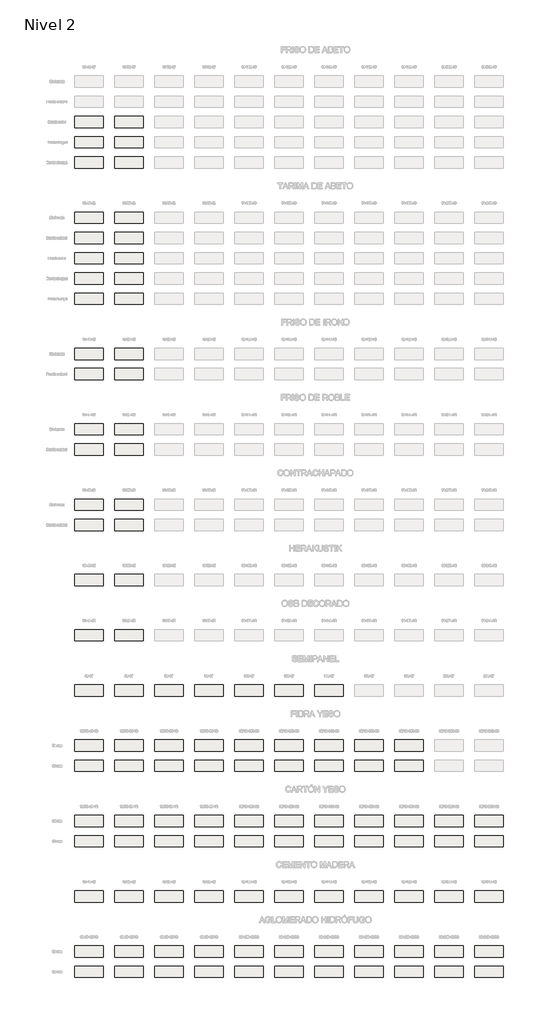
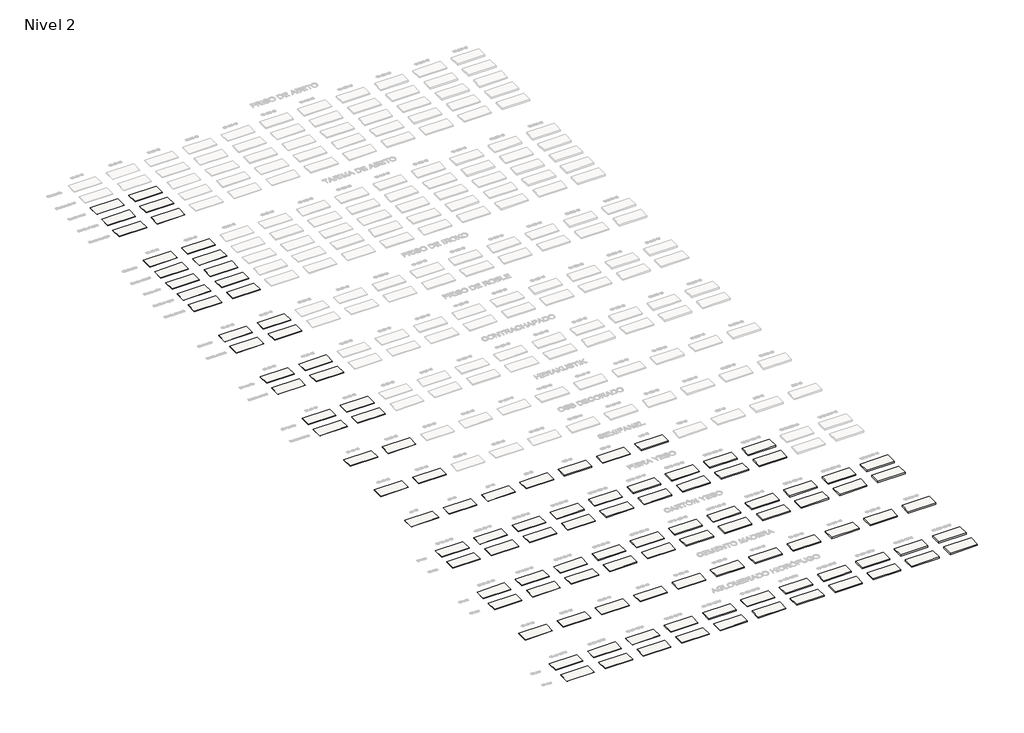
# One storey, part 1 of 51: 112 roofs.
"""IFC4 building model written with IfcOpenShell, lengths in millimetres."""

from ifc_helpers import new_model, si_unit, frame, origin, place, context, project, spatial, polyline, outline, extrude, element, save

model = new_model("IFC4")

# Units and contexts
model_context = context("Model", 3, world=origin())
ifc_project = project(units=[si_unit("LENGTHUNIT", "METRE", prefix="MILLI")], contexts=[model_context])

# Site, building, storey
site = spatial("IfcSite", under=ifc_project)
building = spatial("IfcBuilding", under=site)
storey = spatial("IfcBuildingStorey", under=building, Name="Nivel 2", Elevation=3000.0)

# Roofs
placement = place(None, origin())
element("IfcRoof", 1, at=placement, inside=storey, context=model_context, shape_type="SweptSolid", body=[
    extrude(outline(polyline([(-5297.2931389, -1484.7825352), (-5297.2931389, -3384.7825352), (-10097.2931389, -3384.7825352), (-10097.2931389, -1484.7825352), (-5297.2931389, -1484.7825352)])), frame((0.0, 0.0, 3000.0), z_axis=(0.0, 0.0, 1.0), x_axis=(1.0, 0.0, 0.0)), (0.0, 0.0, 1.0), 66.0),
])
element("IfcRoof", 2, at=placement, inside=storey, context=model_context, shape_type="SweptSolid", body=[
    extrude(outline(polyline([(-5297.2931389, -4884.7825352), (-5297.2931389, -6784.7825352), (-10097.2931389, -6784.7825352), (-10097.2931389, -4884.7825352), (-5297.2931389, -4884.7825352)])), frame((0.0, 0.0, 3000.0), z_axis=(0.0, 0.0, 1.0), x_axis=(1.0, 0.0, 0.0)), (0.0, 0.0, 1.0), 66.0),
])
element("IfcRoof", 3, at=placement, inside=storey, context=model_context, shape_type="SweptSolid", body=[
    extrude(outline(polyline([(-5297.2931389, -8288.7825352), (-5297.2931389, -10188.7825352), (-10097.2931389, -10188.7825352), (-10097.2931389, -8288.7825352), (-5297.2931389, -8288.7825352)])), frame((0.0, 0.0, 3000.0), z_axis=(0.0, 0.0, 1.0), x_axis=(1.0, 0.0, 0.0)), (0.0, 0.0, 1.0), 66.0),
])
element("IfcRoof", 4, at=placement, inside=storey, context=model_context, shape_type="SweptSolid", body=[
    extrude(outline(polyline([(1417.6473959, -1480.7825352), (1417.6473959, -3380.7825352), (-3382.3526041, -3380.7825352), (-3382.3526041, -1480.7825352), (1417.6473959, -1480.7825352)])), frame((0.0, 0.0, 3000.0), z_axis=(0.0, 0.0, 1.0), x_axis=(1.0, 0.0, 0.0)), (0.0, 0.0, 1.0), 76.0),
])
element("IfcRoof", 5, at=placement, inside=storey, context=model_context, shape_type="SweptSolid", body=[
    extrude(outline(polyline([(1417.6473959, -4880.7825352), (1417.6473959, -6780.7825352), (-3382.3526041, -6780.7825352), (-3382.3526041, -4880.7825352), (1417.6473959, -4880.7825352)])), frame((0.0, 0.0, 3000.0), z_axis=(0.0, 0.0, 1.0), x_axis=(1.0, 0.0, 0.0)), (0.0, 0.0, 1.0), 76.0),
])
element("IfcRoof", 6, at=placement, inside=storey, context=model_context, shape_type="SweptSolid", body=[
    extrude(outline(polyline([(1417.6473959, -8284.7825352), (1417.6473959, -10184.7825352), (-3382.3526041, -10184.7825352), (-3382.3526041, -8284.7825352), (1417.6473959, -8284.7825352)])), frame((0.0, 0.0, 3000.0), z_axis=(0.0, 0.0, 1.0), x_axis=(1.0, 0.0, 0.0)), (0.0, 0.0, 1.0), 76.0),
])
element("IfcRoof", 7, at=placement, inside=storey, context=model_context, shape_type="SweptSolid", body=[
    extrude(outline(polyline([(-5297.2931389, -17547.1632381), (-5297.2931389, -19447.1632381), (-10097.2931389, -19447.1632381), (-10097.2931389, -17547.1632381), (-5297.2931389, -17547.1632381)])), frame((0.0, 0.0, 3000.0), z_axis=(0.0, 0.0, 1.0), x_axis=(1.0, 0.0, 0.0)), (0.0, 0.0, 1.0), 77.0),
])
element("IfcRoof", 8, at=placement, inside=storey, context=model_context, shape_type="SweptSolid", body=[
    extrude(outline(polyline([(-5297.2931389, -20947.1632381), (-5297.2931389, -22847.1632381), (-10097.2931389, -22847.1632381), (-10097.2931389, -20947.1632381), (-5297.2931389, -20947.1632381)])), frame((0.0, 0.0, 3000.0), z_axis=(0.0, 0.0, 1.0), x_axis=(1.0, 0.0, 0.0)), (0.0, 0.0, 1.0), 77.0),
])
element("IfcRoof", 9, at=placement, inside=storey, context=model_context, shape_type="SweptSolid", body=[
    extrude(outline(polyline([(-5297.2931389, -24351.1632381), (-5297.2931389, -26251.1632381), (-10097.2931389, -26251.1632381), (-10097.2931389, -24351.1632381), (-5297.2931389, -24351.1632381)])), frame((0.0, 0.0, 3000.0), z_axis=(0.0, 0.0, 1.0), x_axis=(1.0, 0.0, 0.0)), (0.0, 0.0, 1.0), 77.0),
])
element("IfcRoof", 10, at=placement, inside=storey, context=model_context, shape_type="SweptSolid", body=[
    extrude(outline(polyline([(1417.6473959, -17547.1632381), (1417.6473959, -19447.1632381), (-3382.3526041, -19447.1632381), (-3382.3526041, -17547.1632381), (1417.6473959, -17547.1632381)])), frame((0.0, 0.0, 3000.0), z_axis=(0.0, 0.0, 1.0), x_axis=(1.0, 0.0, 0.0)), (0.0, 0.0, 1.0), 87.0),
])
element("IfcRoof", 11, at=placement, inside=storey, context=model_context, shape_type="SweptSolid", body=[
    extrude(outline(polyline([(1417.6473959, -20947.1632381), (1417.6473959, -22847.1632381), (-3382.3526041, -22847.1632381), (-3382.3526041, -20947.1632381), (1417.6473959, -20947.1632381)])), frame((0.0, 0.0, 3000.0), z_axis=(0.0, 0.0, 1.0), x_axis=(1.0, 0.0, 0.0)), (0.0, 0.0, 1.0), 87.0),
])
element("IfcRoof", 12, at=placement, inside=storey, context=model_context, shape_type="SweptSolid", body=[
    extrude(outline(polyline([(1417.6473959, -24351.1632381), (1417.6473959, -26251.1632381), (-3382.3526041, -26251.1632381), (-3382.3526041, -24351.1632381), (1417.6473959, -24351.1632381)])), frame((0.0, 0.0, 3000.0), z_axis=(0.0, 0.0, 1.0), x_axis=(1.0, 0.0, 0.0)), (0.0, 0.0, 1.0), 87.0),
])
element("IfcRoof", 13, at=placement, inside=storey, context=model_context, shape_type="SweptSolid", body=[
    extrude(outline(polyline([(1417.6473959, -27755.1632381), (1417.6473959, -29655.1632381), (-3382.3526041, -29655.1632381), (-3382.3526041, -27755.1632381), (1417.6473959, -27755.1632381)])), frame((0.0, 0.0, 3000.0), z_axis=(0.0, 0.0, 1.0), x_axis=(1.0, 0.0, 0.0)), (0.0, 0.0, 1.0), 87.0),
])
element("IfcRoof", 14, at=placement, inside=storey, context=model_context, shape_type="SweptSolid", body=[
    extrude(outline(polyline([(1417.6473959, -31159.1632381), (1417.6473959, -33059.1632381), (-3382.3526041, -33059.1632381), (-3382.3526041, -31159.1632381), (1417.6473959, -31159.1632381)])), frame((0.0, 0.0, 3000.0), z_axis=(0.0, 0.0, 1.0), x_axis=(1.0, 0.0, 0.0)), (0.0, 0.0, 1.0), 87.0),
])
element("IfcRoof", 15, at=placement, inside=storey, context=model_context, shape_type="SweptSolid", body=[
    extrude(outline(polyline([(-5297.2931389, -27755.1632381), (-5297.2931389, -29655.1632381), (-10097.2931389, -29655.1632381), (-10097.2931389, -27755.1632381), (-5297.2931389, -27755.1632381)])), frame((0.0, 0.0, 3000.0), z_axis=(0.0, 0.0, 1.0), x_axis=(1.0, 0.0, 0.0)), (0.0, 0.0, 1.0), 77.0),
])
element("IfcRoof", 16, at=placement, inside=storey, context=model_context, shape_type="SweptSolid", body=[
    extrude(outline(polyline([(-5297.2931389, -31159.1632381), (-5297.2931389, -33059.1632381), (-10097.2931389, -33059.1632381), (-10097.2931389, -31159.1632381), (-5297.2931389, -31159.1632381)])), frame((0.0, 0.0, 3000.0), z_axis=(0.0, 0.0, 1.0), x_axis=(1.0, 0.0, 0.0)), (0.0, 0.0, 1.0), 77.0),
])
element("IfcRoof", 17, at=placement, inside=storey, context=model_context, shape_type="SweptSolid", body=[
    extrude(outline(polyline([(-5297.2931389, -40413.543941), (-5297.2931389, -42313.543941), (-10097.2931389, -42313.543941), (-10097.2931389, -40413.543941), (-5297.2931389, -40413.543941)])), frame((0.0, 0.0, 3000.0), z_axis=(0.0, 0.0, 1.0), x_axis=(1.0, 0.0, 0.0)), (0.0, 0.0, 1.0), 66.0),
])
element("IfcRoof", 18, at=placement, inside=storey, context=model_context, shape_type="SweptSolid", body=[
    extrude(outline(polyline([(1417.6473959, -40413.543941), (1417.6473959, -42313.543941), (-3382.3526041, -42313.543941), (-3382.3526041, -40413.543941), (1417.6473959, -40413.543941)])), frame((0.0, 0.0, 3000.0), z_axis=(0.0, 0.0, 1.0), x_axis=(1.0, 0.0, 0.0)), (0.0, 0.0, 1.0), 76.0),
])
element("IfcRoof", 19, at=placement, inside=storey, context=model_context, shape_type="SweptSolid", body=[
    extrude(outline(polyline([(-5297.2931389, -43813.543941), (-5297.2931389, -45713.543941), (-10097.2931389, -45713.543941), (-10097.2931389, -43813.543941), (-5297.2931389, -43813.543941)])), frame((0.0, 0.0, 3000.0), z_axis=(0.0, 0.0, 1.0), x_axis=(1.0, 0.0, 0.0)), (0.0, 0.0, 1.0), 66.0),
])
element("IfcRoof", 20, at=placement, inside=storey, context=model_context, shape_type="SweptSolid", body=[
    extrude(outline(polyline([(1417.6473959, -43813.543941), (1417.6473959, -45713.543941), (-3382.3526041, -45713.543941), (-3382.3526041, -43813.543941), (1417.6473959, -43813.543941)])), frame((0.0, 0.0, 3000.0), z_axis=(0.0, 0.0, 1.0), x_axis=(1.0, 0.0, 0.0)), (0.0, 0.0, 1.0), 76.0),
])
element("IfcRoof", 21, at=placement, inside=storey, context=model_context, shape_type="SweptSolid", body=[
    extrude(outline(polyline([(-5297.2931389, -53071.9246439), (-5297.2931389, -54971.9246439), (-10097.2931389, -54971.9246439), (-10097.2931389, -53071.9246439), (-5297.2931389, -53071.9246439)])), frame((0.0, 0.0, 3000.0), z_axis=(0.0, 0.0, 1.0), x_axis=(1.0, 0.0, 0.0)), (0.0, 0.0, 1.0), 66.0),
])
element("IfcRoof", 22, at=placement, inside=storey, context=model_context, shape_type="SweptSolid", body=[
    extrude(outline(polyline([(1417.6473959, -53071.9246439), (1417.6473959, -54971.9246439), (-3382.3526041, -54971.9246439), (-3382.3526041, -53071.9246439), (1417.6473959, -53071.9246439)])), frame((0.0, 0.0, 3000.0), z_axis=(0.0, 0.0, 1.0), x_axis=(1.0, 0.0, 0.0)), (0.0, 0.0, 1.0), 76.0),
])
element("IfcRoof", 23, at=placement, inside=storey, context=model_context, shape_type="SweptSolid", body=[
    extrude(outline(polyline([(-5297.2931389, -56471.9246439), (-5297.2931389, -58371.9246439), (-10097.2931389, -58371.9246439), (-10097.2931389, -56471.9246439), (-5297.2931389, -56471.9246439)])), frame((0.0, 0.0, 3000.0), z_axis=(0.0, 0.0, 1.0), x_axis=(1.0, 0.0, 0.0)), (0.0, 0.0, 1.0), 66.0),
])
element("IfcRoof", 24, at=placement, inside=storey, context=model_context, shape_type="SweptSolid", body=[
    extrude(outline(polyline([(1417.6473959, -56471.9246439), (1417.6473959, -58371.9246439), (-3382.3526041, -58371.9246439), (-3382.3526041, -56471.9246439), (1417.6473959, -56471.9246439)])), frame((0.0, 0.0, 3000.0), z_axis=(0.0, 0.0, 1.0), x_axis=(1.0, 0.0, 0.0)), (0.0, 0.0, 1.0), 76.0),
])
element("IfcRoof", 25, at=placement, inside=storey, context=model_context, shape_type="SweptSolid", body=[
    extrude(outline(polyline([(-5297.2931389, -65730.3053468), (-5297.2931389, -67630.3053468), (-10097.2931389, -67630.3053468), (-10097.2931389, -65730.3053468), (-5297.2931389, -65730.3053468)])), frame((0.0, 0.0, 3000.0), z_axis=(0.0, 0.0, 1.0), x_axis=(1.0, 0.0, 0.0)), (0.0, 0.0, 1.0), 66.0),
])
element("IfcRoof", 26, at=placement, inside=storey, context=model_context, shape_type="SweptSolid", body=[
    extrude(outline(polyline([(1417.6473959, -65730.3053468), (1417.6473959, -67630.3053468), (-3382.3526041, -67630.3053468), (-3382.3526041, -65730.3053468), (1417.6473959, -65730.3053468)])), frame((0.0, 0.0, 3000.0), z_axis=(0.0, 0.0, 1.0), x_axis=(1.0, 0.0, 0.0)), (0.0, 0.0, 1.0), 76.0),
])
element("IfcRoof", 27, at=placement, inside=storey, context=model_context, shape_type="SweptSolid", body=[
    extrude(outline(polyline([(-5297.2931389, -69130.3053468), (-5297.2931389, -71030.3053468), (-10097.2931389, -71030.3053468), (-10097.2931389, -69130.3053468), (-5297.2931389, -69130.3053468)])), frame((0.0, 0.0, 3000.0), z_axis=(0.0, 0.0, 1.0), x_axis=(1.0, 0.0, 0.0)), (0.0, 0.0, 1.0), 66.0),
])
element("IfcRoof", 28, at=placement, inside=storey, context=model_context, shape_type="SweptSolid", body=[
    extrude(outline(polyline([(1417.6473959, -69130.3053468), (1417.6473959, -71030.3053468), (-3382.3526041, -71030.3053468), (-3382.3526041, -69130.3053468), (1417.6473959, -69130.3053468)])), frame((0.0, 0.0, 3000.0), z_axis=(0.0, 0.0, 1.0), x_axis=(1.0, 0.0, 0.0)), (0.0, 0.0, 1.0), 76.0),
])
element("IfcRoof", 29, at=placement, inside=storey, context=model_context, shape_type="SweptSolid", body=[
    extrude(outline(polyline([(-5297.2931389, -78388.6860497), (-5297.2931389, -80288.6860497), (-10097.2931389, -80288.6860497), (-10097.2931389, -78388.6860497), (-5297.2931389, -78388.6860497)])), frame((0.0, 0.0, 3000.0), z_axis=(0.0, 0.0, 1.0), x_axis=(1.0, 0.0, 0.0)), (0.0, 0.0, 1.0), 71.0),
])
element("IfcRoof", 30, at=placement, inside=storey, context=model_context, shape_type="SweptSolid", body=[
    extrude(outline(polyline([(1417.6473959, -78388.6860497), (1417.6473959, -80288.6860497), (-3382.3526041, -80288.6860497), (-3382.3526041, -78388.6860497), (1417.6473959, -78388.6860497)])), frame((0.0, 0.0, 3000.0), z_axis=(0.0, 0.0, 1.0), x_axis=(1.0, 0.0, 0.0)), (0.0, 0.0, 1.0), 81.0),
])
element("IfcRoof", 31, at=placement, inside=storey, context=model_context, shape_type="SweptSolid", body=[
    extrude(outline(polyline([(-5297.2931389, -87647.0667526), (-5297.2931389, -89547.0667526), (-10097.2931389, -89547.0667526), (-10097.2931389, -87647.0667526), (-5297.2931389, -87647.0667526)])), frame((0.0, 0.0, 3000.0), z_axis=(0.0, 0.0, 1.0), x_axis=(1.0, 0.0, 0.0)), (0.0, 0.0, 1.0), 66.0),
])
element("IfcRoof", 32, at=placement, inside=storey, context=model_context, shape_type="SweptSolid", body=[
    extrude(outline(polyline([(1417.6473959, -87647.0667526), (1417.6473959, -89547.0667526), (-3382.3526041, -89547.0667526), (-3382.3526041, -87647.0667526), (1417.6473959, -87647.0667526)])), frame((0.0, 0.0, 3000.0), z_axis=(0.0, 0.0, 1.0), x_axis=(1.0, 0.0, 0.0)), (0.0, 0.0, 1.0), 76.0),
])
element("IfcRoof", 33, at=placement, inside=storey, context=model_context, shape_type="SweptSolid", body=[
    extrude(outline(polyline([(-5297.2931389, -96905.4474555), (-5297.2931389, -98805.4474555), (-10097.2931389, -98805.4474555), (-10097.2931389, -96905.4474555), (-5297.2931389, -96905.4474555)])), frame((0.0, 0.0, 3000.0), z_axis=(0.0, 0.0, 1.0), x_axis=(1.0, 0.0, 0.0)), (0.0, 0.0, 1.0), 56.0),
])
element("IfcRoof", 34, at=placement, inside=storey, context=model_context, shape_type="SweptSolid", body=[
    extrude(outline(polyline([(1417.6473959, -96905.4474555), (1417.6473959, -98805.4474555), (-3382.3526041, -98805.4474555), (-3382.3526041, -96905.4474555), (1417.6473959, -96905.4474555)])), frame((0.0, 0.0, 3000.0), z_axis=(0.0, 0.0, 1.0), x_axis=(1.0, 0.0, 0.0)), (0.0, 0.0, 1.0), 66.0),
])
element("IfcRoof", 35, at=placement, inside=storey, context=model_context, shape_type="SweptSolid", body=[
    extrude(outline(polyline([(8132.5879307, -96905.4474555), (8132.5879307, -98805.4474555), (3332.5879307, -98805.4474555), (3332.5879307, -96905.4474555), (8132.5879307, -96905.4474555)])), frame((0.0, 0.0, 3000.0), z_axis=(0.0, 0.0, 1.0), x_axis=(1.0, 0.0, 0.0)), (0.0, 0.0, 1.0), 76.0),
])
element("IfcRoof", 36, at=placement, inside=storey, context=model_context, shape_type="SweptSolid", body=[
    extrude(outline(polyline([(14847.5284656, -96905.4474555), (14847.5284656, -98805.4474555), (10047.5284656, -98805.4474555), (10047.5284656, -96905.4474555), (14847.5284656, -96905.4474555)])), frame((0.0, 0.0, 3000.0), z_axis=(0.0, 0.0, 1.0), x_axis=(1.0, 0.0, 0.0)), (0.0, 0.0, 1.0), 96.0),
])
element("IfcRoof", 37, at=placement, inside=storey, context=model_context, shape_type="SweptSolid", body=[
    extrude(outline(polyline([(21562.4690004, -96905.4474555), (21562.4690004, -98805.4474555), (16762.4690004, -98805.4474555), (16762.4690004, -96905.4474555), (21562.4690004, -96905.4474555)])), frame((0.0, 0.0, 3000.0), z_axis=(0.0, 0.0, 1.0), x_axis=(1.0, 0.0, 0.0)), (0.0, 0.0, 1.0), 116.0),
])
element("IfcRoof", 38, at=placement, inside=storey, context=model_context, shape_type="SweptSolid", body=[
    extrude(outline(polyline([(28277.4095352, -96905.4474555), (28277.4095352, -98805.4474555), (23477.4095352, -98805.4474555), (23477.4095352, -96905.4474555), (28277.4095352, -96905.4474555)])), frame((0.0, 0.0, 3000.0), z_axis=(0.0, 0.0, 1.0), x_axis=(1.0, 0.0, 0.0)), (0.0, 0.0, 1.0), 136.0),
])
element("IfcRoof", 39, at=placement, inside=storey, context=model_context, shape_type="SweptSolid", body=[
    extrude(outline(polyline([(34992.35007, -96905.4474555), (34992.35007, -98805.4474555), (30192.35007, -98805.4474555), (30192.35007, -96905.4474555), (34992.35007, -96905.4474555)])), frame((0.0, 0.0, 3000.0), z_axis=(0.0, 0.0, 1.0), x_axis=(1.0, 0.0, 0.0)), (0.0, 0.0, 1.0), 156.0),
])
element("IfcRoof", 40, at=placement, inside=storey, context=model_context, shape_type="SweptSolid", body=[
    extrude(outline(polyline([(-5297.2931389, -106163.8281584), (-5297.2931389, -108063.8281584), (-10097.2931389, -108063.8281584), (-10097.2931389, -106163.8281584), (-5297.2931389, -106163.8281584)])), frame((0.0, 0.0, 3000.0), z_axis=(0.0, 0.0, 1.0), x_axis=(1.0, 0.0, 0.0)), (0.0, 0.0, 1.0), 66.0),
])
element("IfcRoof", 41, at=placement, inside=storey, context=model_context, shape_type="SweptSolid", body=[
    extrude(outline(polyline([(1417.6473959, -106163.8281584), (1417.6473959, -108063.8281584), (-3382.3526041, -108063.8281584), (-3382.3526041, -106163.8281584), (1417.6473959, -106163.8281584)])), frame((0.0, 0.0, 3000.0), z_axis=(0.0, 0.0, 1.0), x_axis=(1.0, 0.0, 0.0)), (0.0, 0.0, 1.0), 76.0),
])
element("IfcRoof", 42, at=placement, inside=storey, context=model_context, shape_type="SweptSolid", body=[
    extrude(outline(polyline([(8132.5879307, -106163.8281584), (8132.5879307, -108063.8281584), (3332.5879307, -108063.8281584), (3332.5879307, -106163.8281584), (8132.5879307, -106163.8281584)])), frame((0.0, 0.0, 3000.0), z_axis=(0.0, 0.0, 1.0), x_axis=(1.0, 0.0, 0.0)), (0.0, 0.0, 1.0), 86.0),
])
element("IfcRoof", 43, at=placement, inside=storey, context=model_context, shape_type="SweptSolid", body=[
    extrude(outline(polyline([(14847.5284656, -106163.8281584), (14847.5284656, -108063.8281584), (10047.5284656, -108063.8281584), (10047.5284656, -106163.8281584), (14847.5284656, -106163.8281584)])), frame((0.0, 0.0, 3000.0), z_axis=(0.0, 0.0, 1.0), x_axis=(1.0, 0.0, 0.0)), (0.0, 0.0, 1.0), 106.0),
])
element("IfcRoof", 44, at=placement, inside=storey, context=model_context, shape_type="SweptSolid", body=[
    extrude(outline(polyline([(21562.4690004, -106163.8281584), (21562.4690004, -108063.8281584), (16762.4690004, -108063.8281584), (16762.4690004, -106163.8281584), (21562.4690004, -106163.8281584)])), frame((0.0, 0.0, 3000.0), z_axis=(0.0, 0.0, 1.0), x_axis=(1.0, 0.0, 0.0)), (0.0, 0.0, 1.0), 126.0),
])
element("IfcRoof", 45, at=placement, inside=storey, context=model_context, shape_type="SweptSolid", body=[
    extrude(outline(polyline([(28277.4095352, -106163.8281584), (28277.4095352, -108063.8281584), (23477.4095352, -108063.8281584), (23477.4095352, -106163.8281584), (28277.4095352, -106163.8281584)])), frame((0.0, 0.0, 3000.0), z_axis=(0.0, 0.0, 1.0), x_axis=(1.0, 0.0, 0.0)), (0.0, 0.0, 1.0), 146.0),
])
element("IfcRoof", 46, at=placement, inside=storey, context=model_context, shape_type="SweptSolid", body=[
    extrude(outline(polyline([(34992.35007, -106163.8281584), (34992.35007, -108063.8281584), (30192.35007, -108063.8281584), (30192.35007, -106163.8281584), (34992.35007, -106163.8281584)])), frame((0.0, 0.0, 3000.0), z_axis=(0.0, 0.0, 1.0), x_axis=(1.0, 0.0, 0.0)), (0.0, 0.0, 1.0), 166.0),
])
element("IfcRoof", 47, at=placement, inside=storey, context=model_context, shape_type="SweptSolid", body=[
    extrude(outline(polyline([(41707.2906049, -106163.8281584), (41707.2906049, -108063.8281584), (36907.2906049, -108063.8281584), (36907.2906049, -106163.8281584), (41707.2906049, -106163.8281584)])), frame((0.0, 0.0, 3000.0), z_axis=(0.0, 0.0, 1.0), x_axis=(1.0, 0.0, 0.0)), (0.0, 0.0, 1.0), 186.0),
])
element("IfcRoof", 48, at=placement, inside=storey, context=model_context, shape_type="SweptSolid", body=[
    extrude(outline(polyline([(48422.2311397, -106163.8281584), (48422.2311397, -108063.8281584), (43622.2311397, -108063.8281584), (43622.2311397, -106163.8281584), (48422.2311397, -106163.8281584)])), frame((0.0, 0.0, 3000.0), z_axis=(0.0, 0.0, 1.0), x_axis=(1.0, 0.0, 0.0)), (0.0, 0.0, 1.0), 206.0),
])
element("IfcRoof", 49, at=placement, inside=storey, context=model_context, shape_type="SweptSolid", body=[
    extrude(outline(polyline([(-5297.2931389, -109563.8281584), (-5297.2931389, -111463.8281584), (-10097.2931389, -111463.8281584), (-10097.2931389, -109563.8281584), (-5297.2931389, -109563.8281584)])), frame((0.0, 0.0, 3000.0), z_axis=(0.0, 0.0, 1.0), x_axis=(1.0, 0.0, 0.0)), (0.0, 0.0, 1.0), 69.0),
])
element("IfcRoof", 50, at=placement, inside=storey, context=model_context, shape_type="SweptSolid", body=[
    extrude(outline(polyline([(1417.6473959, -109563.8281584), (1417.6473959, -111463.8281584), (-3382.3526041, -111463.8281584), (-3382.3526041, -109563.8281584), (1417.6473959, -109563.8281584)])), frame((0.0, 0.0, 3000.0), z_axis=(0.0, 0.0, 1.0), x_axis=(1.0, 0.0, 0.0)), (0.0, 0.0, 1.0), 79.0),
])
element("IfcRoof", 51, at=placement, inside=storey, context=model_context, shape_type="SweptSolid", body=[
    extrude(outline(polyline([(8132.5879307, -109563.8281584), (8132.5879307, -111463.8281584), (3332.5879307, -111463.8281584), (3332.5879307, -109563.8281584), (8132.5879307, -109563.8281584)])), frame((0.0, 0.0, 3000.0), z_axis=(0.0, 0.0, 1.0), x_axis=(1.0, 0.0, 0.0)), (0.0, 0.0, 1.0), 89.0),
])
element("IfcRoof", 52, at=placement, inside=storey, context=model_context, shape_type="SweptSolid", body=[
    extrude(outline(polyline([(14847.5284656, -109563.8281584), (14847.5284656, -111463.8281584), (10047.5284656, -111463.8281584), (10047.5284656, -109563.8281584), (14847.5284656, -109563.8281584)])), frame((0.0, 0.0, 3000.0), z_axis=(0.0, 0.0, 1.0), x_axis=(1.0, 0.0, 0.0)), (0.0, 0.0, 1.0), 109.0),
])
element("IfcRoof", 53, at=placement, inside=storey, context=model_context, shape_type="SweptSolid", body=[
    extrude(outline(polyline([(21562.4690004, -109563.8281584), (21562.4690004, -111463.8281584), (16762.4690004, -111463.8281584), (16762.4690004, -109563.8281584), (21562.4690004, -109563.8281584)])), frame((0.0, 0.0, 3000.0), z_axis=(0.0, 0.0, 1.0), x_axis=(1.0, 0.0, 0.0)), (0.0, 0.0, 1.0), 129.0),
])
element("IfcRoof", 54, at=placement, inside=storey, context=model_context, shape_type="SweptSolid", body=[
    extrude(outline(polyline([(28277.4095352, -109563.8281584), (28277.4095352, -111463.8281584), (23477.4095352, -111463.8281584), (23477.4095352, -109563.8281584), (28277.4095352, -109563.8281584)])), frame((0.0, 0.0, 3000.0), z_axis=(0.0, 0.0, 1.0), x_axis=(1.0, 0.0, 0.0)), (0.0, 0.0, 1.0), 149.0),
])
element("IfcRoof", 55, at=placement, inside=storey, context=model_context, shape_type="SweptSolid", body=[
    extrude(outline(polyline([(34992.35007, -109563.8281584), (34992.35007, -111463.8281584), (30192.35007, -111463.8281584), (30192.35007, -109563.8281584), (34992.35007, -109563.8281584)])), frame((0.0, 0.0, 3000.0), z_axis=(0.0, 0.0, 1.0), x_axis=(1.0, 0.0, 0.0)), (0.0, 0.0, 1.0), 169.0),
])
element("IfcRoof", 56, at=placement, inside=storey, context=model_context, shape_type="SweptSolid", body=[
    extrude(outline(polyline([(41707.2906049, -109563.8281584), (41707.2906049, -111463.8281584), (36907.2906049, -111463.8281584), (36907.2906049, -109563.8281584), (41707.2906049, -109563.8281584)])), frame((0.0, 0.0, 3000.0), z_axis=(0.0, 0.0, 1.0), x_axis=(1.0, 0.0, 0.0)), (0.0, 0.0, 1.0), 189.0),
])
element("IfcRoof", 57, at=placement, inside=storey, context=model_context, shape_type="SweptSolid", body=[
    extrude(outline(polyline([(48422.2311397, -109563.8281584), (48422.2311397, -111463.8281584), (43622.2311397, -111463.8281584), (43622.2311397, -109563.8281584), (48422.2311397, -109563.8281584)])), frame((0.0, 0.0, 3000.0), z_axis=(0.0, 0.0, 1.0), x_axis=(1.0, 0.0, 0.0)), (0.0, 0.0, 1.0), 209.0),
])
element("IfcRoof", 58, at=placement, inside=storey, context=model_context, shape_type="SweptSolid", body=[
    extrude(outline(polyline([(-5297.2931389, -118822.2088613), (-5297.2931389, -120722.2088613), (-10097.2931389, -120722.2088613), (-10097.2931389, -118822.2088613), (-5297.2931389, -118822.2088613)])), frame((0.0, 0.0, 3000.0), z_axis=(0.0, 0.0, 1.0), x_axis=(1.0, 0.0, 0.0)), (0.0, 0.0, 1.0), 66.0),
])
element("IfcRoof", 59, at=placement, inside=storey, context=model_context, shape_type="SweptSolid", body=[
    extrude(outline(polyline([(1417.6473959, -118822.2088613), (1417.6473959, -120722.2088613), (-3382.3526041, -120722.2088613), (-3382.3526041, -118822.2088613), (1417.6473959, -118822.2088613)])), frame((0.0, 0.0, 3000.0), z_axis=(0.0, 0.0, 1.0), x_axis=(1.0, 0.0, 0.0)), (0.0, 0.0, 1.0), 76.0),
])
element("IfcRoof", 60, at=placement, inside=storey, context=model_context, shape_type="SweptSolid", body=[
    extrude(outline(polyline([(8132.5879307, -118822.2088613), (8132.5879307, -120722.2088613), (3332.5879307, -120722.2088613), (3332.5879307, -118822.2088613), (8132.5879307, -118822.2088613)])), frame((0.0, 0.0, 3000.0), z_axis=(0.0, 0.0, 1.0), x_axis=(1.0, 0.0, 0.0)), (0.0, 0.0, 1.0), 86.0),
])
element("IfcRoof", 61, at=placement, inside=storey, context=model_context, shape_type="SweptSolid", body=[
    extrude(outline(polyline([(14847.5284656, -118822.2088613), (14847.5284656, -120722.2088613), (10047.5284656, -120722.2088613), (10047.5284656, -118822.2088613), (14847.5284656, -118822.2088613)])), frame((0.0, 0.0, 3000.0), z_axis=(0.0, 0.0, 1.0), x_axis=(1.0, 0.0, 0.0)), (0.0, 0.0, 1.0), 106.0),
])
element("IfcRoof", 62, at=placement, inside=storey, context=model_context, shape_type="SweptSolid", body=[
    extrude(outline(polyline([(21562.4690004, -118822.2088613), (21562.4690004, -120722.2088613), (16762.4690004, -120722.2088613), (16762.4690004, -118822.2088613), (21562.4690004, -118822.2088613)])), frame((0.0, 0.0, 3000.0), z_axis=(0.0, 0.0, 1.0), x_axis=(1.0, 0.0, 0.0)), (0.0, 0.0, 1.0), 126.0),
])
element("IfcRoof", 63, at=placement, inside=storey, context=model_context, shape_type="SweptSolid", body=[
    extrude(outline(polyline([(28277.4095352, -118822.2088613), (28277.4095352, -120722.2088613), (23477.4095352, -120722.2088613), (23477.4095352, -118822.2088613), (28277.4095352, -118822.2088613)])), frame((0.0, 0.0, 3000.0), z_axis=(0.0, 0.0, 1.0), x_axis=(1.0, 0.0, 0.0)), (0.0, 0.0, 1.0), 146.0),
])
element("IfcRoof", 64, at=placement, inside=storey, context=model_context, shape_type="SweptSolid", body=[
    extrude(outline(polyline([(34992.35007, -118822.2088613), (34992.35007, -120722.2088613), (30192.35007, -120722.2088613), (30192.35007, -118822.2088613), (34992.35007, -118822.2088613)])), frame((0.0, 0.0, 3000.0), z_axis=(0.0, 0.0, 1.0), x_axis=(1.0, 0.0, 0.0)), (0.0, 0.0, 1.0), 166.0),
])
element("IfcRoof", 65, at=placement, inside=storey, context=model_context, shape_type="SweptSolid", body=[
    extrude(outline(polyline([(41707.2906049, -118822.2088613), (41707.2906049, -120722.2088613), (36907.2906049, -120722.2088613), (36907.2906049, -118822.2088613), (41707.2906049, -118822.2088613)])), frame((0.0, 0.0, 3000.0), z_axis=(0.0, 0.0, 1.0), x_axis=(1.0, 0.0, 0.0)), (0.0, 0.0, 1.0), 186.0),
])
element("IfcRoof", 66, at=placement, inside=storey, context=model_context, shape_type="SweptSolid", body=[
    extrude(outline(polyline([(48422.2311397, -118822.2088613), (48422.2311397, -120722.2088613), (43622.2311397, -120722.2088613), (43622.2311397, -118822.2088613), (48422.2311397, -118822.2088613)])), frame((0.0, 0.0, 3000.0), z_axis=(0.0, 0.0, 1.0), x_axis=(1.0, 0.0, 0.0)), (0.0, 0.0, 1.0), 206.0),
])
element("IfcRoof", 67, at=placement, inside=storey, context=model_context, shape_type="SweptSolid", body=[
    extrude(outline(polyline([(55137.1716745, -118822.2088613), (55137.1716745, -120722.2088613), (50337.1716745, -120722.2088613), (50337.1716745, -118822.2088613), (55137.1716745, -118822.2088613)])), frame((0.0, 0.0, 3000.0), z_axis=(0.0, 0.0, 1.0), x_axis=(1.0, 0.0, 0.0)), (0.0, 0.0, 1.0), 226.0),
])
element("IfcRoof", 68, at=placement, inside=storey, context=model_context, shape_type="SweptSolid", body=[
    extrude(outline(polyline([(61852.1122093, -118822.2088613), (61852.1122093, -120722.2088613), (57052.1122093, -120722.2088613), (57052.1122093, -118822.2088613), (61852.1122093, -118822.2088613)])), frame((0.0, 0.0, 3000.0), z_axis=(0.0, 0.0, 1.0), x_axis=(1.0, 0.0, 0.0)), (0.0, 0.0, 1.0), 266.0),
])
element("IfcRoof", 69, at=placement, inside=storey, context=model_context, shape_type="SweptSolid", body=[
    extrude(outline(polyline([(-5297.2931389, -122222.2088613), (-5297.2931389, -124122.2088613), (-10097.2931389, -124122.2088613), (-10097.2931389, -122222.2088613), (-5297.2931389, -122222.2088613)])), frame((0.0, 0.0, 3000.0), z_axis=(0.0, 0.0, 1.0), x_axis=(1.0, 0.0, 0.0)), (0.0, 0.0, 1.0), 69.0),
])
element("IfcRoof", 70, at=placement, inside=storey, context=model_context, shape_type="SweptSolid", body=[
    extrude(outline(polyline([(1417.6473959, -122222.2088613), (1417.6473959, -124122.2088613), (-3382.3526041, -124122.2088613), (-3382.3526041, -122222.2088613), (1417.6473959, -122222.2088613)])), frame((0.0, 0.0, 3000.0), z_axis=(0.0, 0.0, 1.0), x_axis=(1.0, 0.0, 0.0)), (0.0, 0.0, 1.0), 79.0),
])
element("IfcRoof", 71, at=placement, inside=storey, context=model_context, shape_type="SweptSolid", body=[
    extrude(outline(polyline([(8132.5879307, -122222.2088613), (8132.5879307, -124122.2088613), (3332.5879307, -124122.2088613), (3332.5879307, -122222.2088613), (8132.5879307, -122222.2088613)])), frame((0.0, 0.0, 3000.0), z_axis=(0.0, 0.0, 1.0), x_axis=(1.0, 0.0, 0.0)), (0.0, 0.0, 1.0), 89.0),
])
element("IfcRoof", 72, at=placement, inside=storey, context=model_context, shape_type="SweptSolid", body=[
    extrude(outline(polyline([(14847.5284656, -122222.2088613), (14847.5284656, -124122.2088613), (10047.5284656, -124122.2088613), (10047.5284656, -122222.2088613), (14847.5284656, -122222.2088613)])), frame((0.0, 0.0, 3000.0), z_axis=(0.0, 0.0, 1.0), x_axis=(1.0, 0.0, 0.0)), (0.0, 0.0, 1.0), 109.0),
])
element("IfcRoof", 73, at=placement, inside=storey, context=model_context, shape_type="SweptSolid", body=[
    extrude(outline(polyline([(21562.4690004, -122222.2088613), (21562.4690004, -124122.2088613), (16762.4690004, -124122.2088613), (16762.4690004, -122222.2088613), (21562.4690004, -122222.2088613)])), frame((0.0, 0.0, 3000.0), z_axis=(0.0, 0.0, 1.0), x_axis=(1.0, 0.0, 0.0)), (0.0, 0.0, 1.0), 129.0),
])
element("IfcRoof", 74, at=placement, inside=storey, context=model_context, shape_type="SweptSolid", body=[
    extrude(outline(polyline([(28277.4095352, -122222.2088613), (28277.4095352, -124122.2088613), (23477.4095352, -124122.2088613), (23477.4095352, -122222.2088613), (28277.4095352, -122222.2088613)])), frame((0.0, 0.0, 3000.0), z_axis=(0.0, 0.0, 1.0), x_axis=(1.0, 0.0, 0.0)), (0.0, 0.0, 1.0), 149.0),
])
element("IfcRoof", 75, at=placement, inside=storey, context=model_context, shape_type="SweptSolid", body=[
    extrude(outline(polyline([(34992.35007, -122222.2088613), (34992.35007, -124122.2088613), (30192.35007, -124122.2088613), (30192.35007, -122222.2088613), (34992.35007, -122222.2088613)])), frame((0.0, 0.0, 3000.0), z_axis=(0.0, 0.0, 1.0), x_axis=(1.0, 0.0, 0.0)), (0.0, 0.0, 1.0), 169.0),
])
element("IfcRoof", 76, at=placement, inside=storey, context=model_context, shape_type="SweptSolid", body=[
    extrude(outline(polyline([(41707.2906049, -122222.2088613), (41707.2906049, -124122.2088613), (36907.2906049, -124122.2088613), (36907.2906049, -122222.2088613), (41707.2906049, -122222.2088613)])), frame((0.0, 0.0, 3000.0), z_axis=(0.0, 0.0, 1.0), x_axis=(1.0, 0.0, 0.0)), (0.0, 0.0, 1.0), 189.0),
])
element("IfcRoof", 77, at=placement, inside=storey, context=model_context, shape_type="SweptSolid", body=[
    extrude(outline(polyline([(48422.2311397, -122222.2088613), (48422.2311397, -124122.2088613), (43622.2311397, -124122.2088613), (43622.2311397, -122222.2088613), (48422.2311397, -122222.2088613)])), frame((0.0, 0.0, 3000.0), z_axis=(0.0, 0.0, 1.0), x_axis=(1.0, 0.0, 0.0)), (0.0, 0.0, 1.0), 209.0),
])
element("IfcRoof", 78, at=placement, inside=storey, context=model_context, shape_type="SweptSolid", body=[
    extrude(outline(polyline([(55137.1716745, -122222.2088613), (55137.1716745, -124122.2088613), (50337.1716745, -124122.2088613), (50337.1716745, -122222.2088613), (55137.1716745, -122222.2088613)])), frame((0.0, 0.0, 3000.0), z_axis=(0.0, 0.0, 1.0), x_axis=(1.0, 0.0, 0.0)), (0.0, 0.0, 1.0), 229.0),
])
element("IfcRoof", 79, at=placement, inside=storey, context=model_context, shape_type="SweptSolid", body=[
    extrude(outline(polyline([(61852.1122093, -122222.2088613), (61852.1122093, -124122.2088613), (57052.1122093, -124122.2088613), (57052.1122093, -122222.2088613), (61852.1122093, -122222.2088613)])), frame((0.0, 0.0, 3000.0), z_axis=(0.0, 0.0, 1.0), x_axis=(1.0, 0.0, 0.0)), (0.0, 0.0, 1.0), 269.0),
])
element("IfcRoof", 80, at=placement, inside=storey, context=model_context, shape_type="SweptSolid", body=[
    extrude(outline(polyline([(-5297.2931389, -131480.5895642), (-5297.2931389, -133380.5895642), (-10097.2931389, -133380.5895642), (-10097.2931389, -131480.5895642), (-5297.2931389, -131480.5895642)])), frame((0.0, 0.0, 3000.0), z_axis=(0.0, 0.0, 1.0), x_axis=(1.0, 0.0, 0.0)), (0.0, 0.0, 1.0), 66.0),
])
element("IfcRoof", 81, at=placement, inside=storey, context=model_context, shape_type="SweptSolid", body=[
    extrude(outline(polyline([(1417.6473959, -131480.5895642), (1417.6473959, -133380.5895642), (-3382.3526041, -133380.5895642), (-3382.3526041, -131480.5895642), (1417.6473959, -131480.5895642)])), frame((0.0, 0.0, 3000.0), z_axis=(0.0, 0.0, 1.0), x_axis=(1.0, 0.0, 0.0)), (0.0, 0.0, 1.0), 76.0),
])
element("IfcRoof", 82, at=placement, inside=storey, context=model_context, shape_type="SweptSolid", body=[
    extrude(outline(polyline([(8132.5879307, -131480.5895642), (8132.5879307, -133380.5895642), (3332.5879307, -133380.5895642), (3332.5879307, -131480.5895642), (8132.5879307, -131480.5895642)])), frame((0.0, 0.0, 3000.0), z_axis=(0.0, 0.0, 1.0), x_axis=(1.0, 0.0, 0.0)), (0.0, 0.0, 1.0), 86.0),
])
element("IfcRoof", 83, at=placement, inside=storey, context=model_context, shape_type="SweptSolid", body=[
    extrude(outline(polyline([(14847.5284656, -131480.5895642), (14847.5284656, -133380.5895642), (10047.5284656, -133380.5895642), (10047.5284656, -131480.5895642), (14847.5284656, -131480.5895642)])), frame((0.0, 0.0, 3000.0), z_axis=(0.0, 0.0, 1.0), x_axis=(1.0, 0.0, 0.0)), (0.0, 0.0, 1.0), 106.0),
])
element("IfcRoof", 84, at=placement, inside=storey, context=model_context, shape_type="SweptSolid", body=[
    extrude(outline(polyline([(21562.4690004, -131480.5895642), (21562.4690004, -133380.5895642), (16762.4690004, -133380.5895642), (16762.4690004, -131480.5895642), (21562.4690004, -131480.5895642)])), frame((0.0, 0.0, 3000.0), z_axis=(0.0, 0.0, 1.0), x_axis=(1.0, 0.0, 0.0)), (0.0, 0.0, 1.0), 126.0),
])
element("IfcRoof", 85, at=placement, inside=storey, context=model_context, shape_type="SweptSolid", body=[
    extrude(outline(polyline([(28277.4095352, -131480.5895642), (28277.4095352, -133380.5895642), (23477.4095352, -133380.5895642), (23477.4095352, -131480.5895642), (28277.4095352, -131480.5895642)])), frame((0.0, 0.0, 3000.0), z_axis=(0.0, 0.0, 1.0), x_axis=(1.0, 0.0, 0.0)), (0.0, 0.0, 1.0), 146.0),
])
element("IfcRoof", 86, at=placement, inside=storey, context=model_context, shape_type="SweptSolid", body=[
    extrude(outline(polyline([(34992.35007, -131480.5895642), (34992.35007, -133380.5895642), (30192.35007, -133380.5895642), (30192.35007, -131480.5895642), (34992.35007, -131480.5895642)])), frame((0.0, 0.0, 3000.0), z_axis=(0.0, 0.0, 1.0), x_axis=(1.0, 0.0, 0.0)), (0.0, 0.0, 1.0), 166.0),
])
element("IfcRoof", 87, at=placement, inside=storey, context=model_context, shape_type="SweptSolid", body=[
    extrude(outline(polyline([(41707.2906049, -131480.5895642), (41707.2906049, -133380.5895642), (36907.2906049, -133380.5895642), (36907.2906049, -131480.5895642), (41707.2906049, -131480.5895642)])), frame((0.0, 0.0, 3000.0), z_axis=(0.0, 0.0, 1.0), x_axis=(1.0, 0.0, 0.0)), (0.0, 0.0, 1.0), 186.0),
])
element("IfcRoof", 88, at=placement, inside=storey, context=model_context, shape_type="SweptSolid", body=[
    extrude(outline(polyline([(48422.2311397, -131480.5895642), (48422.2311397, -133380.5895642), (43622.2311397, -133380.5895642), (43622.2311397, -131480.5895642), (48422.2311397, -131480.5895642)])), frame((0.0, 0.0, 3000.0), z_axis=(0.0, 0.0, 1.0), x_axis=(1.0, 0.0, 0.0)), (0.0, 0.0, 1.0), 206.0),
])
element("IfcRoof", 89, at=placement, inside=storey, context=model_context, shape_type="SweptSolid", body=[
    extrude(outline(polyline([(55137.1716745, -131480.5895642), (55137.1716745, -133380.5895642), (50337.1716745, -133380.5895642), (50337.1716745, -131480.5895642), (55137.1716745, -131480.5895642)])), frame((0.0, 0.0, 3000.0), z_axis=(0.0, 0.0, 1.0), x_axis=(1.0, 0.0, 0.0)), (0.0, 0.0, 1.0), 226.0),
])
element("IfcRoof", 90, at=placement, inside=storey, context=model_context, shape_type="SweptSolid", body=[
    extrude(outline(polyline([(61852.1122093, -131480.5895642), (61852.1122093, -133380.5895642), (57052.1122093, -133380.5895642), (57052.1122093, -131480.5895642), (61852.1122093, -131480.5895642)])), frame((0.0, 0.0, 3000.0), z_axis=(0.0, 0.0, 1.0), x_axis=(1.0, 0.0, 0.0)), (0.0, 0.0, 1.0), 266.0),
])
element("IfcRoof", 91, at=placement, inside=storey, context=model_context, shape_type="SweptSolid", body=[
    extrude(outline(polyline([(-5297.2931389, -140738.9702671), (-5297.2931389, -142638.9702671), (-10097.2931389, -142638.9702671), (-10097.2931389, -140738.9702671), (-5297.2931389, -140738.9702671)])), frame((0.0, 0.0, 3000.0), z_axis=(0.0, 0.0, 1.0), x_axis=(1.0, 0.0, 0.0)), (0.0, 0.0, 1.0), 66.0),
])
element("IfcRoof", 92, at=placement, inside=storey, context=model_context, shape_type="SweptSolid", body=[
    extrude(outline(polyline([(1417.6473959, -140738.9702671), (1417.6473959, -142638.9702671), (-3382.3526041, -142638.9702671), (-3382.3526041, -140738.9702671), (1417.6473959, -140738.9702671)])), frame((0.0, 0.0, 3000.0), z_axis=(0.0, 0.0, 1.0), x_axis=(1.0, 0.0, 0.0)), (0.0, 0.0, 1.0), 76.0),
])
element("IfcRoof", 93, at=placement, inside=storey, context=model_context, shape_type="SweptSolid", body=[
    extrude(outline(polyline([(8132.5879307, -140738.9702671), (8132.5879307, -142638.9702671), (3332.5879307, -142638.9702671), (3332.5879307, -140738.9702671), (8132.5879307, -140738.9702671)])), frame((0.0, 0.0, 3000.0), z_axis=(0.0, 0.0, 1.0), x_axis=(1.0, 0.0, 0.0)), (0.0, 0.0, 1.0), 86.0),
])
element("IfcRoof", 94, at=placement, inside=storey, context=model_context, shape_type="SweptSolid", body=[
    extrude(outline(polyline([(14847.5284656, -140738.9702671), (14847.5284656, -142638.9702671), (10047.5284656, -142638.9702671), (10047.5284656, -140738.9702671), (14847.5284656, -140738.9702671)])), frame((0.0, 0.0, 3000.0), z_axis=(0.0, 0.0, 1.0), x_axis=(1.0, 0.0, 0.0)), (0.0, 0.0, 1.0), 106.0),
])
element("IfcRoof", 95, at=placement, inside=storey, context=model_context, shape_type="SweptSolid", body=[
    extrude(outline(polyline([(21562.4690004, -140738.9702671), (21562.4690004, -142638.9702671), (16762.4690004, -142638.9702671), (16762.4690004, -140738.9702671), (21562.4690004, -140738.9702671)])), frame((0.0, 0.0, 3000.0), z_axis=(0.0, 0.0, 1.0), x_axis=(1.0, 0.0, 0.0)), (0.0, 0.0, 1.0), 126.0),
])
element("IfcRoof", 96, at=placement, inside=storey, context=model_context, shape_type="SweptSolid", body=[
    extrude(outline(polyline([(28277.4095352, -140738.9702671), (28277.4095352, -142638.9702671), (23477.4095352, -142638.9702671), (23477.4095352, -140738.9702671), (28277.4095352, -140738.9702671)])), frame((0.0, 0.0, 3000.0), z_axis=(0.0, 0.0, 1.0), x_axis=(1.0, 0.0, 0.0)), (0.0, 0.0, 1.0), 146.0),
])
element("IfcRoof", 97, at=placement, inside=storey, context=model_context, shape_type="SweptSolid", body=[
    extrude(outline(polyline([(34992.35007, -140738.9702671), (34992.35007, -142638.9702671), (30192.35007, -142638.9702671), (30192.35007, -140738.9702671), (34992.35007, -140738.9702671)])), frame((0.0, 0.0, 3000.0), z_axis=(0.0, 0.0, 1.0), x_axis=(1.0, 0.0, 0.0)), (0.0, 0.0, 1.0), 166.0),
])
element("IfcRoof", 98, at=placement, inside=storey, context=model_context, shape_type="SweptSolid", body=[
    extrude(outline(polyline([(41707.2906049, -140738.9702671), (41707.2906049, -142638.9702671), (36907.2906049, -142638.9702671), (36907.2906049, -140738.9702671), (41707.2906049, -140738.9702671)])), frame((0.0, 0.0, 3000.0), z_axis=(0.0, 0.0, 1.0), x_axis=(1.0, 0.0, 0.0)), (0.0, 0.0, 1.0), 186.0),
])
element("IfcRoof", 99, at=placement, inside=storey, context=model_context, shape_type="SweptSolid", body=[
    extrude(outline(polyline([(48422.2311397, -140738.9702671), (48422.2311397, -142638.9702671), (43622.2311397, -142638.9702671), (43622.2311397, -140738.9702671), (48422.2311397, -140738.9702671)])), frame((0.0, 0.0, 3000.0), z_axis=(0.0, 0.0, 1.0), x_axis=(1.0, 0.0, 0.0)), (0.0, 0.0, 1.0), 206.0),
])
element("IfcRoof", 100, at=placement, inside=storey, context=model_context, shape_type="SweptSolid", body=[
    extrude(outline(polyline([(55137.1716745, -140738.9702671), (55137.1716745, -142638.9702671), (50337.1716745, -142638.9702671), (50337.1716745, -140738.9702671), (55137.1716745, -140738.9702671)])), frame((0.0, 0.0, 3000.0), z_axis=(0.0, 0.0, 1.0), x_axis=(1.0, 0.0, 0.0)), (0.0, 0.0, 1.0), 226.0),
])
element("IfcRoof", 101, at=placement, inside=storey, context=model_context, shape_type="SweptSolid", body=[
    extrude(outline(polyline([(61852.1122093, -140738.9702671), (61852.1122093, -142638.9702671), (57052.1122093, -142638.9702671), (57052.1122093, -140738.9702671), (61852.1122093, -140738.9702671)])), frame((0.0, 0.0, 3000.0), z_axis=(0.0, 0.0, 1.0), x_axis=(1.0, 0.0, 0.0)), (0.0, 0.0, 1.0), 266.0),
])
element("IfcRoof", 102, at=placement, inside=storey, context=model_context, shape_type="SweptSolid", body=[
    extrude(outline(polyline([(-5297.2931389, -144138.9702671), (-5297.2931389, -146038.9702671), (-10097.2931389, -146038.9702671), (-10097.2931389, -144138.9702671), (-5297.2931389, -144138.9702671)])), frame((0.0, 0.0, 3000.0), z_axis=(0.0, 0.0, 1.0), x_axis=(1.0, 0.0, 0.0)), (0.0, 0.0, 1.0), 69.0),
])
element("IfcRoof", 103, at=placement, inside=storey, context=model_context, shape_type="SweptSolid", body=[
    extrude(outline(polyline([(1417.6473959, -144138.9702671), (1417.6473959, -146038.9702671), (-3382.3526041, -146038.9702671), (-3382.3526041, -144138.9702671), (1417.6473959, -144138.9702671)])), frame((0.0, 0.0, 3000.0), z_axis=(0.0, 0.0, 1.0), x_axis=(1.0, 0.0, 0.0)), (0.0, 0.0, 1.0), 79.0),
])
element("IfcRoof", 104, at=placement, inside=storey, context=model_context, shape_type="SweptSolid", body=[
    extrude(outline(polyline([(8132.5879307, -144138.9702671), (8132.5879307, -146038.9702671), (3332.5879307, -146038.9702671), (3332.5879307, -144138.9702671), (8132.5879307, -144138.9702671)])), frame((0.0, 0.0, 3000.0), z_axis=(0.0, 0.0, 1.0), x_axis=(1.0, 0.0, 0.0)), (0.0, 0.0, 1.0), 89.0),
])
element("IfcRoof", 105, at=placement, inside=storey, context=model_context, shape_type="SweptSolid", body=[
    extrude(outline(polyline([(14847.5284656, -144138.9702671), (14847.5284656, -146038.9702671), (10047.5284656, -146038.9702671), (10047.5284656, -144138.9702671), (14847.5284656, -144138.9702671)])), frame((0.0, 0.0, 3000.0), z_axis=(0.0, 0.0, 1.0), x_axis=(1.0, 0.0, 0.0)), (0.0, 0.0, 1.0), 109.0),
])
element("IfcRoof", 106, at=placement, inside=storey, context=model_context, shape_type="SweptSolid", body=[
    extrude(outline(polyline([(21562.4690004, -144138.9702671), (21562.4690004, -146038.9702671), (16762.4690004, -146038.9702671), (16762.4690004, -144138.9702671), (21562.4690004, -144138.9702671)])), frame((0.0, 0.0, 3000.0), z_axis=(0.0, 0.0, 1.0), x_axis=(1.0, 0.0, 0.0)), (0.0, 0.0, 1.0), 129.0),
])
element("IfcRoof", 107, at=placement, inside=storey, context=model_context, shape_type="SweptSolid", body=[
    extrude(outline(polyline([(28277.4095352, -144138.9702671), (28277.4095352, -146038.9702671), (23477.4095352, -146038.9702671), (23477.4095352, -144138.9702671), (28277.4095352, -144138.9702671)])), frame((0.0, 0.0, 3000.0), z_axis=(0.0, 0.0, 1.0), x_axis=(1.0, 0.0, 0.0)), (0.0, 0.0, 1.0), 149.0),
])
element("IfcRoof", 108, at=placement, inside=storey, context=model_context, shape_type="SweptSolid", body=[
    extrude(outline(polyline([(34992.35007, -144138.9702671), (34992.35007, -146038.9702671), (30192.35007, -146038.9702671), (30192.35007, -144138.9702671), (34992.35007, -144138.9702671)])), frame((0.0, 0.0, 3000.0), z_axis=(0.0, 0.0, 1.0), x_axis=(1.0, 0.0, 0.0)), (0.0, 0.0, 1.0), 169.0),
])
element("IfcRoof", 109, at=placement, inside=storey, context=model_context, shape_type="SweptSolid", body=[
    extrude(outline(polyline([(41707.2906049, -144138.9702671), (41707.2906049, -146038.9702671), (36907.2906049, -146038.9702671), (36907.2906049, -144138.9702671), (41707.2906049, -144138.9702671)])), frame((0.0, 0.0, 3000.0), z_axis=(0.0, 0.0, 1.0), x_axis=(1.0, 0.0, 0.0)), (0.0, 0.0, 1.0), 189.0),
])
element("IfcRoof", 110, at=placement, inside=storey, context=model_context, shape_type="SweptSolid", body=[
    extrude(outline(polyline([(48422.2311397, -144138.9702671), (48422.2311397, -146038.9702671), (43622.2311397, -146038.9702671), (43622.2311397, -144138.9702671), (48422.2311397, -144138.9702671)])), frame((0.0, 0.0, 3000.0), z_axis=(0.0, 0.0, 1.0), x_axis=(1.0, 0.0, 0.0)), (0.0, 0.0, 1.0), 209.0),
])
element("IfcRoof", 111, at=placement, inside=storey, context=model_context, shape_type="SweptSolid", body=[
    extrude(outline(polyline([(55137.1716745, -144138.9702671), (55137.1716745, -146038.9702671), (50337.1716745, -146038.9702671), (50337.1716745, -144138.9702671), (55137.1716745, -144138.9702671)])), frame((0.0, 0.0, 3000.0), z_axis=(0.0, 0.0, 1.0), x_axis=(1.0, 0.0, 0.0)), (0.0, 0.0, 1.0), 229.0),
])
element("IfcRoof", 112, at=placement, inside=storey, context=model_context, shape_type="SweptSolid", body=[
    extrude(outline(polyline([(61852.1122093, -144138.9702671), (61852.1122093, -146038.9702671), (57052.1122093, -146038.9702671), (57052.1122093, -144138.9702671), (61852.1122093, -144138.9702671)])), frame((0.0, 0.0, 3000.0), z_axis=(0.0, 0.0, 1.0), x_axis=(1.0, 0.0, 0.0)), (0.0, 0.0, 1.0), 269.0),
])

save(model, "model.ifc")
